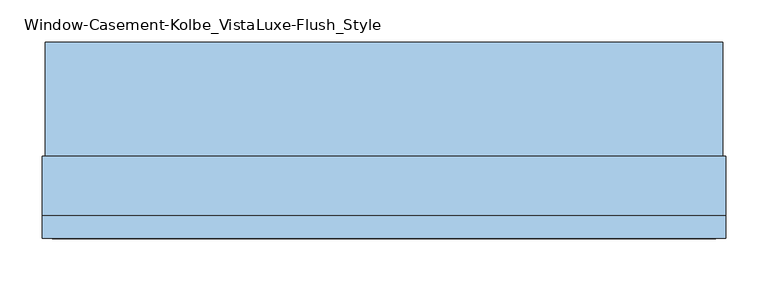
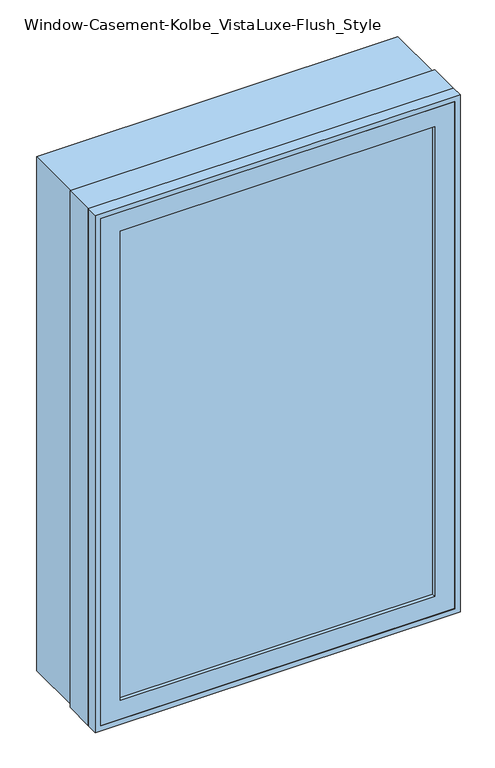
"""IFC4 building model written with IfcOpenShell, lengths in millimetres: window geometry, Window-Casement-Kolbe_VistaLuxe-Flush_Style."""

from ifc_helpers import new_model, si_unit, frame, origin, place, context, project, spatial, polyline, outline, extrude, faceted_brep, source, transform, mapped, element, save


def window_casement_kolbe_vistaluxe_flush_style_0b6dddab(model_context):
    return source(origin(), model_context, "Body", "SolidModel", [
        faceted_brep([(-355.6696599, -121.37898, 970.676875), (-355.6696599, -129.31648, 970.676875), (344.5765901, -129.31648, 970.676875), (344.5765901, -121.37898, 970.676875), (-371.5446599, -99.12858, 954.801875), (-371.5446599, -121.37898, 954.801875), (360.4515901, -121.37898, 954.801875), (360.4515901, -99.12858, 954.801875), (-355.6696599, -80.10398, 970.676875), (-355.6696599, -99.12858, 970.676875), (344.5765901, -99.12858, 970.676875), (344.5765901, -80.10398, 970.676875), (-400.1196599, -129.31648, 926.226875), (-400.1196599, -80.10398, 926.226875), (389.0265901, -80.10398, 926.226875), (389.0265901, -129.31648, 926.226875), (344.5765901, -129.31648, 2077.323125), (344.5765901, -121.37898, 2077.323125), (360.4515901, -121.37898, 2093.198125), (360.4515901, -99.12858, 2093.198125), (344.5765901, -99.12858, 2077.323125), (344.5765901, -80.10398, 2077.323125), (389.0265901, -80.10398, 2121.773125), (389.0265901, -129.31648, 2121.773125), (-355.6696599, -129.31648, 2077.323125), (-355.6696599, -121.37898, 2077.323125), (-371.5446599, -121.37898, 2093.198125), (-371.5446599, -99.12858, 2093.198125), (-355.6696599, -99.12858, 2077.323125), (-355.6696599, -80.10398, 2077.323125), (-400.1196599, -80.10398, 2121.773125), (-400.1196599, -129.31648, 2121.773125)], [[[0, 1, 2, 3]], [[4, 5, 6, 7]], [[8, 9, 10, 11]], [[12, 13, 14, 15]], [[3, 2, 16, 17]], [[7, 6, 18, 19]], [[11, 10, 20, 21]], [[15, 14, 22, 23]], [[17, 16, 24, 25]], [[19, 18, 26, 27]], [[21, 20, 28, 29]], [[23, 22, 30, 31]], [[25, 24, 1, 0]], [[5, 26, 18, 6], [3, 17, 25, 0]], [[27, 26, 5, 4]], [[7, 19, 27, 4], [9, 28, 20, 10]], [[29, 28, 9, 8]], [[13, 30, 22, 14], [11, 21, 29, 8]], [[31, 30, 13, 12]], [[15, 23, 31, 12], [1, 24, 16, 2]]]),
        extrude(outline(polyline([(2130.0186, 397.2720651), (2130.0186, -408.3651349), (917.9814, -408.3651349), (917.9814, 397.2720651), (2130.0186, 397.2720651)]), holes=[polyline([(936.545625, 378.7078401), (936.545625, -389.8009099), (2111.454375, -389.8009099), (2111.454375, 378.7078401), (936.545625, 378.7078401)])]), frame((0.0, -32.5247, 0.0), z_axis=(0.0, 1.0, 0.0), x_axis=(0.0, 0.0, 1.0)), (0.0, 0.0, 1.0), 135.7122),
        extrude(outline(polyline([(2133.6, -411.9465349), (914.4, -411.9465349), (914.4, 400.8534651), (2133.6, 400.8534651), (2133.6, -411.9465349)]), holes=[polyline([(2121.773125, 389.0265901), (926.226875, 389.0265901), (926.226875, -400.1196599), (2121.773125, -400.1196599), (2121.773125, 389.0265901)])]), frame((0.0, -130.1115, 0.0), z_axis=(0.0, 1.0, 0.0), x_axis=(0.0, 0.0, 1.0)), (0.0, 0.0, 1.0), 26.924),
        faceted_brep([(400.8534651, -32.5247, 914.4), (400.8534651, -103.1875, 914.4), (-411.9465349, -103.1875, 914.4), (-411.9465349, -32.5247, 914.4), (378.7078401, -80.10525, 936.545625), (378.7078401, -32.5247, 936.545625), (-389.8009099, -32.5247, 936.545625), (-389.8009099, -80.10525, 936.545625), (389.0265901, -103.1875, 926.226875), (389.0265901, -80.10525, 926.226875), (-400.1196599, -80.10525, 926.226875), (-400.1196599, -103.1875, 926.226875), (-411.9465349, -103.1875, 2133.6), (-411.9465349, -32.5247, 2133.6), (-389.8009099, -32.5247, 2111.454375), (-389.8009099, -80.10525, 2111.454375), (-400.1196599, -80.10525, 2121.773125), (-400.1196599, -103.1875, 2121.773125), (400.8534651, -103.1875, 2133.6), (400.8534651, -32.5247, 2133.6), (378.7078401, -32.5247, 2111.454375), (378.7078401, -80.10525, 2111.454375), (389.0265901, -80.10525, 2121.773125), (389.0265901, -103.1875, 2121.773125)], [[[0, 1, 2, 3]], [[4, 5, 6, 7]], [[8, 9, 10, 11]], [[3, 2, 12, 13]], [[7, 6, 14, 15]], [[11, 10, 16, 17]], [[13, 12, 18, 19]], [[15, 14, 20, 21]], [[17, 16, 22, 23]], [[19, 18, 1, 0]], [[3, 13, 19, 0], [5, 20, 14, 6]], [[21, 20, 5, 4]], [[9, 22, 16, 10], [7, 15, 21, 4]], [[23, 22, 9, 8]], [[1, 18, 12, 2], [11, 17, 23, 8]]]),
        extrude(outline(polyline([(357.2765901, -102.30358), (-368.3696599, -102.30358), (-368.3696599, -99.12858), (357.2765901, -99.12858), (357.2765901, -102.30358)])), frame((0.0, 0.0, 957.976875), z_axis=(0.0, 0.0, 1.0), x_axis=(1.0, 0.0, 0.0)), (0.0, 0.0, 1.0), 1132.04625),
        extrude(outline(polyline([(357.2765901, -118.20398), (357.2765901, -121.37898), (-368.3696599, -121.37898), (-368.3696599, -118.20398), (357.2765901, -118.20398)])), frame((0.0, 0.0, 957.976875), z_axis=(0.0, 0.0, 1.0), x_axis=(1.0, 0.0, 0.0)), (0.0, 0.0, 1.0), 1132.04625),
        extrude(outline(polyline([(936.545625, 378.7078401), (2111.454375, 378.7078401), (2111.454375, -389.8009099), (936.545625, -389.8009099), (936.545625, 378.7078401)]), holes=[polyline([(954.801875, -371.5446599), (2093.198125, -371.5446599), (2093.198125, 360.4515901), (954.801875, 360.4515901), (954.801875, -371.5446599)])]), frame((0.0, -80.10525, 0.0), z_axis=(0.0, 1.0, 0.0), x_axis=(0.0, 0.0, 1.0)), (0.0, 0.0, 1.0), 50.8),
    ])


if __name__ == "__main__":
    model = new_model("IFC4")
    model_context = context("Model", 3, world=origin())
    ifc_project = project(units=[si_unit("LENGTHUNIT", "METRE", prefix="MILLI")], contexts=[model_context])
    site = spatial("IfcSite", under=ifc_project)
    building = spatial("IfcBuilding", under=site)
    placement = place(None, origin())
    window_casement_kolbe_vistaluxe_flush_style_shape = window_casement_kolbe_vistaluxe_flush_style_0b6dddab(model_context)
    element("IfcWindow", 1, ObjectType="Window-Casement-Kolbe_VistaLuxe-Flush_Style", at=placement, inside=building, context=model_context, shape_type="MappedRepresentation", body=[
        mapped(window_casement_kolbe_vistaluxe_flush_style_shape, transform((0.0, 0.0, 0.0), x_axis=(1.0, 0.0, 0.0), y_axis=(0.0, 1.0, 0.0), z_axis=(0.0, 0.0, 1.0))),
    ])
    save(model, "model.ifc")
